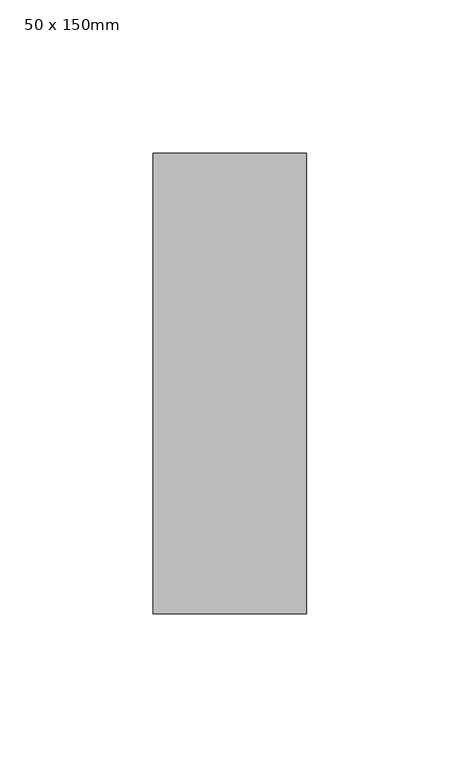
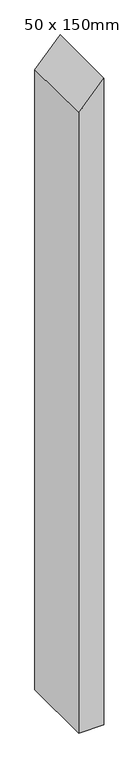
"""IFC4 building model written with IfcOpenShell, lengths in millimetres: member geometry, 50 x 150mm."""

from ifc_helpers import new_model, si_unit, frame, origin, place, context, project, spatial, polyline, outline, extrude, source, transform, mapped, element, save


def member_50_x_150mm_474e3a7a(model_context):
    return source(origin(), model_context, "Body", "SweptSolid", [
        extrude(outline(polyline([(0.0, 0.0), (-55.0581473, -50.0), (-1354.3614412, -50.0), (-1354.3614412, 0.0), (0.0, 0.0)])), frame((0.0, -75.0, 0.0), z_axis=(0.0, 1.0, 0.0), x_axis=(0.0, 0.0, 1.0)), (0.0, 0.0, 1.0), 150.0),
    ])


if __name__ == "__main__":
    model = new_model("IFC4")
    model_context = context("Model", 3, world=origin())
    ifc_project = project(units=[si_unit("LENGTHUNIT", "METRE", prefix="MILLI")], contexts=[model_context])
    site = spatial("IfcSite", under=ifc_project)
    building = spatial("IfcBuilding", under=site)
    placement = place(None, origin())
    member_50_x_150mm_shape = member_50_x_150mm_474e3a7a(model_context)
    element("IfcMember", 1, ObjectType="50 x 150mm", at=placement, inside=building, context=model_context, shape_type="MappedRepresentation", body=[
        mapped(member_50_x_150mm_shape, transform((0.0, 0.0, 0.0), x_axis=(1.0, 0.0, 0.0), y_axis=(0.0, 1.0, 0.0), z_axis=(0.0, 0.0, 1.0))),
    ])
    save(model, "model.ifc")
